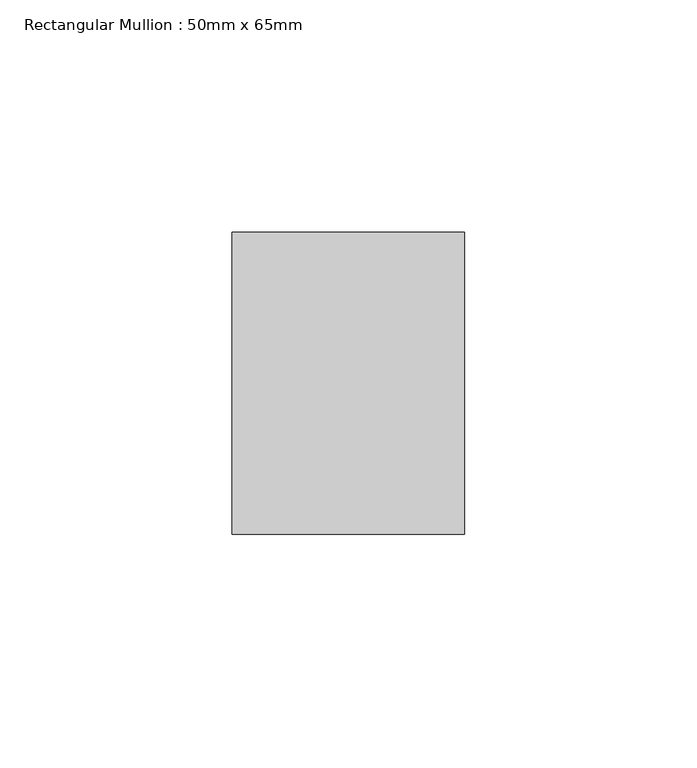
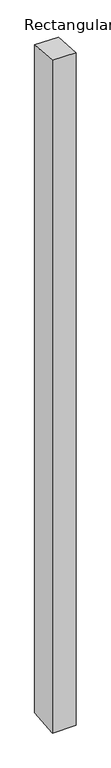
"""IFC4 building model written with IfcOpenShell, lengths in millimetres: member geometry, Rectangular Mullion : 50mm x 65mm."""

from ifc_helpers import new_model, si_unit, origin, place, context, project, spatial, faceted_brep, source, transform, mapped, element, save


def rectangular_mullion_50mm_x_65mm_000d0897(model_context):
    return source(origin(), model_context, "Body", "Brep", [
        faceted_brep([(-25.0, 32.5, -2.4319586), (25.0, 32.5, -2.4319405), (25.0, 32.5, -1497.0088468), (-25.0, 32.5, -1497.0088245), (-25.0, -32.5, 2.4319405), (-25.0, -32.5, -1502.9911363), (25.0, -32.5, 2.4319586), (25.0, -32.5, -1502.9911586)], [[[0, 1, 2, 3]], [[4, 0, 3, 5]], [[6, 4, 5, 7]], [[1, 6, 7, 2]], [[1, 0, 4, 6]], [[2, 7, 5, 3]]]),
    ])


if __name__ == "__main__":
    model = new_model("IFC4")
    model_context = context("Model", 3, world=origin())
    ifc_project = project(units=[si_unit("LENGTHUNIT", "METRE", prefix="MILLI")], contexts=[model_context])
    site = spatial("IfcSite", under=ifc_project)
    building = spatial("IfcBuilding", under=site)
    placement = place(None, origin())
    rectangular_mullion_50mm_x_65mm_shape = rectangular_mullion_50mm_x_65mm_000d0897(model_context)
    element("IfcMember", 1, ObjectType="Rectangular Mullion : 50mm x 65mm", at=placement, inside=building, context=model_context, shape_type="MappedRepresentation", body=[
        mapped(rectangular_mullion_50mm_x_65mm_shape, transform((0.0, 0.0, 0.0), x_axis=(1.0, 0.0, 0.0), y_axis=(0.0, 1.0, 0.0), z_axis=(0.0, 0.0, 1.0))),
    ])
    save(model, "model.ifc")
